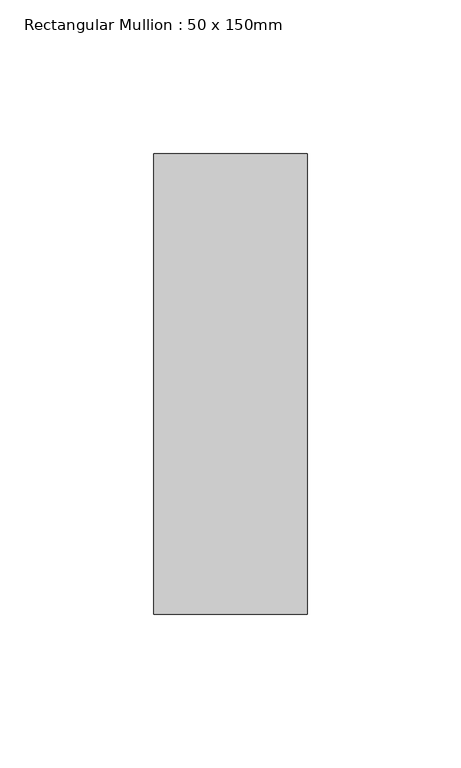
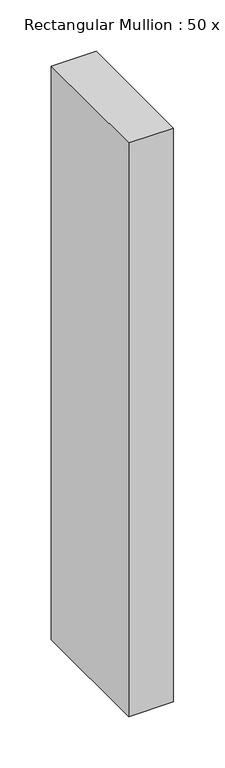
"""IFC4 building model written with IfcOpenShell, lengths in millimetres: member geometry, Rectangular Mullion : 50 x 150mm."""

import ifcopenshell
import ifcopenshell.guid

model = None  # the IFC model being written
_history = None  # IfcOwnerHistory: only IFC2X3 demands one
_inside = {}  # id of a spatial element -> (the spatial element, [elements in it])
_under = {}  # id of a project, library or spatial element -> (it, [spatial elements below it])
_declared = {}  # id of a project -> (the project, [libraries it declares])
_typed = {}  # id of a type object -> (the type object, [elements of that type])
_made_of = {}  # id of a material, layer set ... -> (it, [elements and type objects made of it])


def new_model(schema):
    """Start an empty IFC model of exactly this schema.

    Asked for "IFC4X3", IfcOpenShell would pick the latest addendum, in which some entities
    have other attributes; the version numbers below select the first issue.
    IFC2X3 requires an IfcOwnerHistory on every rooted entity: one is made here for all.
    """
    global model, _history
    if schema == "IFC4X3":
        model = ifcopenshell.file(schema_version=(4, 3, 0, 0))
    else:
        model = ifcopenshell.file(schema=schema)
    _inside.clear()
    _under.clear()
    _declared.clear()
    _typed.clear()
    _made_of.clear()
    _history = None
    if model.schema == "IFC2X3":
        org = make("IfcOrganization", Name="unknown")
        user = make(
            "IfcPersonAndOrganization",
            ThePerson=make("IfcPerson", FamilyName="unknown"),
            TheOrganization=org,
        )
        app = make(
            "IfcApplication",
            ApplicationDeveloper=org,
            Version="unknown",
            ApplicationFullName="unknown",
            ApplicationIdentifier="unknown",
        )
        _history = make(
            "IfcOwnerHistory",
            OwningUser=user,
            OwningApplication=app,
            ChangeAction="ADDED",
            CreationDate=0,
        )
    return model


def make(cls, **values):
    """One entity of the class cls with the attributes given. An attribute that is None is left unset."""
    return model.create_entity(
        cls, **{name: value for name, value in values.items() if value is not None}
    )


def rooted(cls, **values):
    """An entity with a GlobalId (a new one), such as an element, a storey or a relation."""
    return make(cls, GlobalId=ifcopenshell.guid.new(), OwnerHistory=_history, **values)


def si_unit(unit_type, name, prefix=None):
    """IfcSIUnit, for example si_unit("LENGTHUNIT", "METRE", prefix="MILLI")."""
    return make("IfcSIUnit", UnitType=unit_type, Prefix=prefix, Name=name)


def assignment(units):
    """IfcUnitAssignment: the units of a project."""
    return None if units is None else make("IfcUnitAssignment", Units=units)


def point(xyz):
    """IfcCartesianPoint."""
    return None if xyz is None else make("IfcCartesianPoint", Coordinates=xyz)


def direction(xyz):
    """IfcDirection."""
    return None if xyz is None else make("IfcDirection", DirectionRatios=xyz)


def frame(location, z_axis=None, x_axis=None):
    """IfcAxis2Placement3D, a coordinate frame: its origin and axes. An axis left out is left unset."""
    return make(
        "IfcAxis2Placement3D",
        Location=point(location),
        Axis=direction(z_axis),
        RefDirection=direction(x_axis),
    )


def origin():
    """The frame at (0, 0, 0) with its axes left unset."""
    return frame((0.0, 0.0, 0.0))


def place(relative_to, where):
    """IfcLocalPlacement: puts the frame where relative to a parent placement (None: the world)."""
    return make(
        "IfcLocalPlacement", PlacementRelTo=relative_to, RelativePlacement=where
    )


def context(
    kind, dimensions, precision=None, world=None, true_north=None, identifier=None
):
    """IfcGeometricRepresentationContext, for example the 3D "Model" context."""
    return make(
        "IfcGeometricRepresentationContext",
        ContextIdentifier=identifier,
        ContextType=kind,
        CoordinateSpaceDimension=dimensions,
        Precision=precision,
        WorldCoordinateSystem=world,
        TrueNorth=true_north,
    )


def project(units=None, contexts=None):
    """IfcProject with its units and contexts."""
    return rooted(
        "IfcProject",
        Name="project",
        RepresentationContexts=contexts,
        UnitsInContext=assignment(units),
    )


def spatial(cls, under=None, at=None, **own):
    """A site, building, storey or space (cls), placed at a placement, below another one or the project."""
    s = rooted(cls, ObjectPlacement=at, **own)
    if under is not None:
        _under.setdefault(under.id(), (under, []))[1].append(s)
    return s


def polyline(points):
    """IfcPolyline through the points."""
    return make("IfcPolyline", Points=[point(p) for p in points])


def outline(outer, holes=None, kind="AREA"):
    """IfcArbitraryClosedProfileDef: a profile drawn as a closed curve; with holes, ...WithVoids."""
    if holes is None:
        return make("IfcArbitraryClosedProfileDef", ProfileType=kind, OuterCurve=outer)
    return make(
        "IfcArbitraryProfileDefWithVoids",
        ProfileType=kind,
        OuterCurve=outer,
        InnerCurves=holes,
    )


def extrude(swept, where, along, depth):
    """IfcExtrudedAreaSolid: the profile swept, set in the frame where, extruded along a direction by depth."""
    return make(
        "IfcExtrudedAreaSolid",
        SweptArea=swept,
        Position=where,
        ExtrudedDirection=direction(along),
        Depth=depth,
    )


def shape(context_of_items, identifier, shape_type, items):
    """IfcShapeRepresentation: the items that make up one representation, for example the "Body"."""
    return make(
        "IfcShapeRepresentation",
        ContextOfItems=context_of_items,
        RepresentationIdentifier=identifier,
        RepresentationType=shape_type,
        Items=items,
    )


def source(mapping_origin, context_of_items, identifier, shape_type, items):
    """IfcRepresentationMap: a shape defined once, which mapped items show again and again."""
    return make(
        "IfcRepresentationMap",
        MappingOrigin=mapping_origin,
        MappedRepresentation=shape(context_of_items, identifier, shape_type, items),
    )


def transform(
    local_origin,
    x_axis=None,
    y_axis=None,
    z_axis=None,
    scale=None,
    scale2=None,
    scale3=None,
    uniform=True,
):
    """IfcCartesianTransformationOperator3D, or its non-uniform kind. x_axis, y_axis, z_axis: its Axis1, 2, 3."""
    if uniform:
        return make(
            "IfcCartesianTransformationOperator3D",
            Axis1=direction(x_axis),
            Axis2=direction(y_axis),
            LocalOrigin=point(local_origin),
            Scale=scale,
            Axis3=direction(z_axis),
        )
    return make(
        "IfcCartesianTransformationOperator3DnonUniform",
        Axis1=direction(x_axis),
        Axis2=direction(y_axis),
        LocalOrigin=point(local_origin),
        Scale=scale,
        Axis3=direction(z_axis),
        Scale2=scale2,
        Scale3=scale3,
    )


def mapped(mapping_source, mapping_target):
    """IfcMappedItem: shows the shape of a source again, moved by a transform."""
    return make(
        "IfcMappedItem", MappingSource=mapping_source, MappingTarget=mapping_target
    )


def made_of(thing, what):
    """Note that an element or type object is made of a material, layer set ...; save() writes the relation."""
    if what is not None:
        _made_of.setdefault(what.id(), (what, []))[1].append(thing)
    return thing


def element(
    cls,
    number,
    at=None,
    inside=None,
    cuts=None,
    type_object=None,
    material=None,
    context=None,
    identifier="Body",
    shape_type=None,
    held_by="IfcProductDefinitionShape",
    body=None,
    shapes=None,
    **own,
):
    """One element of the class cls, such as IfcWall. Its Tag is "e" and its number.

    at: its placement. inside: the storey or other place that contains it. cuts: it is an
    opening in that element (IfcRelVoidsElement). A single representation is given by context,
    identifier, shape_type and body (its items); several are given by shapes. held_by: the class
    of the entity that holds the representations. save() writes the other relations.
    """
    e = rooted(cls, Tag="e%d" % number, ObjectPlacement=at, **own)
    if body is not None:
        shapes = [shape(context, identifier, shape_type, body)]
    if shapes is not None:
        e.Representation = make(held_by, Representations=shapes)
    if inside is not None:
        _inside.setdefault(inside.id(), (inside, []))[1].append(e)
    if cuts is not None:
        rooted(
            "IfcRelVoidsElement", RelatingBuildingElement=cuts, RelatedOpeningElement=e
        )
    if type_object is not None:
        _typed.setdefault(type_object.id(), (type_object, []))[1].append(e)
    return made_of(e, material)


def aggregate(whole, parts):
    """IfcRelAggregates: a whole, such as a stair, and the parts it consists of."""
    return rooted("IfcRelAggregates", RelatingObject=whole, RelatedObjects=parts)


def save(model, path):
    """Write the relations noted so far, then the file.

    IfcRelAggregates (storeys below a building ...), IfcRelContainedInSpatialStructure (elements
    in a storey), IfcRelDefinesByType, IfcRelAssociatesMaterial and IfcRelDeclares: one each for
    every whole, place, type object, material and project.
    """
    for whole, parts in _under.values():
        aggregate(whole, parts)
    for where, things in _inside.values():
        rooted(
            "IfcRelContainedInSpatialStructure",
            RelatedElements=things,
            RelatingStructure=where,
        )
    for kind, things in _typed.values():
        rooted("IfcRelDefinesByType", RelatedObjects=things, RelatingType=kind)
    for what, things in _made_of.values():
        rooted("IfcRelAssociatesMaterial", RelatedObjects=things, RelatingMaterial=what)
    for by, libraries in _declared.values():
        rooted("IfcRelDeclares", RelatingContext=by, RelatedDefinitions=libraries)
    model.write(path)


def rectangular_mullion_50_x_150mm_a7305ece(model_context):
    return source(origin(), model_context, "Body", "SweptSolid", [
        extrude(outline(polyline([(25.0, 75.0), (25.0, -75.0), (-25.0, -75.0), (-25.0, 75.0), (25.0, 75.0)])), frame((0.0, 0.0, -680.0), z_axis=(0.0, 0.0, 1.0), x_axis=(1.0, 0.0, 0.0)), (0.0, 0.0, 1.0), 680.0),
    ])


if __name__ == "__main__":
    model = new_model("IFC4")
    model_context = context("Model", 3, world=origin())
    ifc_project = project(units=[si_unit("LENGTHUNIT", "METRE", prefix="MILLI")], contexts=[model_context])
    site = spatial("IfcSite", under=ifc_project)
    building = spatial("IfcBuilding", under=site)
    placement = place(None, origin())
    rectangular_mullion_50_x_150mm_shape = rectangular_mullion_50_x_150mm_a7305ece(model_context)
    element("IfcMember", 1, ObjectType="Rectangular Mullion : 50 x 150mm", at=placement, inside=building, context=model_context, shape_type="MappedRepresentation", body=[
        mapped(rectangular_mullion_50_x_150mm_shape, transform((0.0, 0.0, 0.0), x_axis=(1.0, 0.0, 0.0), y_axis=(0.0, 1.0, 0.0), z_axis=(0.0, 0.0, 1.0))),
    ])
    save(model, "model.ifc")
